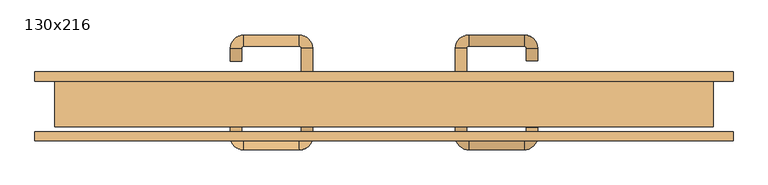
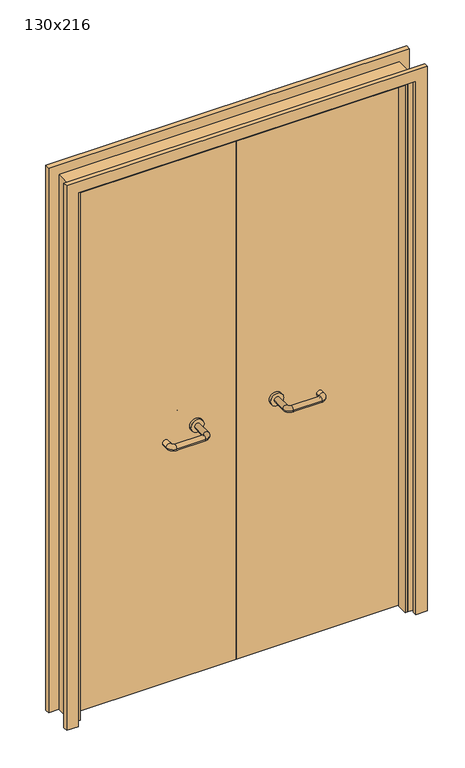
"""IFC4 building model written with IfcOpenShell, lengths in millimetres: door geometry, 130x216."""

from ifc_helpers import new_model, si_unit, point, frame, frame_2d, origin, place, context, project, spatial, polyline, circle_curve, ellipse_curve, trimmed, segment, composite_curve, outline, extrude, faceted_brep, source, transform, mapped, element, save
from ifc_brep_helpers import plane_surface, cylinder_surface, revolved_surface, advanced_brep


def door_130x216_2bfb5fd9(model_context):
    return source(origin(), model_context, "Body", "SolidModel", [
        faceted_brep([(-620.0, 3.0, 0.0), (-620.0, -40.0, 0.0), (-630.0, -40.0, 0.0), (-630.0, 3.0, 0.0), (-620.0, 3.0, 2130.0), (-620.0, -40.0, 2130.0), (-630.0, -40.0, 2140.0), (-630.0, 3.0, 2140.0), (620.0, 3.0, 0.0), (630.0, 3.0, 0.0), (630.0, -40.0, 0.0), (620.0, -40.0, 0.0), (620.0, 3.0, 2130.0), (630.0, 3.0, 2140.0), (630.0, -40.0, 2140.0), (620.0, -40.0, 2130.0)], [[[0, 1, 2, 3]], [[1, 0, 4, 5]], [[2, 1, 5, 6]], [[3, 2, 6, 7]], [[0, 3, 7, 4]], [[8, 9, 10, 11]], [[12, 13, 9, 8]], [[13, 14, 10, 9]], [[14, 15, 11, 10]], [[15, 12, 8, 11]], [[5, 4, 12, 15]], [[6, 5, 15, 14]], [[7, 6, 14, 13]], [[4, 7, 13, 12]]]),
        extrude(outline(polyline([(2199.0, 689.0), (2199.0, -689.0), (0.0, -689.0), (0.0, -645.0), (2155.0, -645.0), (2155.0, 645.0), (0.0, 645.0), (0.0, 689.0), (2199.0, 689.0)])), frame((0.0, 50.0, 0.0), z_axis=(0.0, 1.0, 0.0), x_axis=(0.0, 0.0, 1.0)), (0.0, 0.0, 1.0), 18.0),
        extrude(outline(polyline([(2199.0, -689.0), (0.0, -689.0), (0.0, -645.0), (2155.0, -645.0), (2155.0, 645.0), (0.0, 645.0), (0.0, 689.0), (2199.0, 689.0), (2199.0, -689.0)])), frame((0.0, -68.0, 0.0), z_axis=(0.0, 1.0, 0.0), x_axis=(0.0, 0.0, 1.0)), (0.0, 0.0, 1.0), 18.0),
        extrude(outline(polyline([(2160.0, -650.0), (0.0, -650.0), (0.0, -630.0), (2140.0, -630.0), (2140.0, 630.0), (0.0, 630.0), (0.0, 650.0), (2160.0, 650.0), (2160.0, -650.0)])), frame((0.0, -40.0, 0.0), z_axis=(0.0, 1.0, 0.0), x_axis=(0.0, 0.0, 1.0)), (0.0, 0.0, 1.0), 90.0),
        advanced_brep(
        [(140.99898, -4.0, 1003.0), (162.99898, -4.0, 1003.0), (140.99898, -59.3525369, 1003.0), (162.99898, -59.3525369, 1003.0), (166.99898, -63.3525369, 1003.0), (166.99898, -85.3525369, 1003.0), (276.99898, -85.3525369, 1003.0), (276.99898, -63.3525369, 1003.0), (280.99898, -59.3525369, 1003.0), (302.99898, -59.3525369, 1003.0), (302.99898, -42.0, 1003.0), (280.99898, -42.0, 1003.0)],
        [
            (0, 1, circle_curve(frame((151.99898, -4.0, 1003.0), z_axis=(0.0, 1.0, 0.0), x_axis=(1.0, 0.0, 0.0)), 11.0)),
            (1, 0, circle_curve(frame((151.99898, -4.0, 1003.0), z_axis=(0.0, 1.0, 0.0), x_axis=(1.0, 0.0, 0.0)), 11.0)),
            (0, 2),
            (2, 3, circle_curve(frame((151.99898, -59.3525369, 1003.0), z_axis=(0.0, 1.0, 0.0), x_axis=(1.0, 0.0, 0.0)), 11.0)),
            (3, 1),
            (3, 2, circle_curve(frame((151.99898, -59.3525369, 1003.0), z_axis=(0.0, 1.0, 0.0), x_axis=(1.0, 0.0, 0.0)), 11.0)),
            (4, 3, circle_curve(frame((166.99898, -59.3525369, 1003.0), z_axis=(0.0, 0.0, -1.0), x_axis=(-1.0, 0.0, 0.0)), 4.0)),
            (2, 5, circle_curve(frame((166.99898, -59.3525369, 1003.0), z_axis=(0.0, 0.0, 1.0), x_axis=(-1.0, 0.0, 0.0)), 26.0)),
            (5, 4, circle_curve(frame((166.99898, -74.3525369, 1003.0), z_axis=(-1.0, 0.0, 0.0), x_axis=(0.0, 1.0, 0.0)), 11.0)),
            (4, 5, circle_curve(frame((166.99898, -74.3525369, 1003.0), z_axis=(-1.0, 0.0, 0.0), x_axis=(0.0, 1.0, 0.0)), 11.0)),
            (5, 6),
            (6, 7, circle_curve(frame((276.99898, -74.3525369, 1003.0), z_axis=(-1.0, 0.0, 0.0), x_axis=(0.0, 1.0, 0.0)), 11.0)),
            (7, 4),
            (7, 6, circle_curve(frame((276.99898, -74.3525369, 1003.0), z_axis=(-1.0, 0.0, 0.0), x_axis=(0.0, 1.0, 0.0)), 11.0)),
            (8, 7, circle_curve(frame((276.99898, -59.3525369, 1003.0), z_axis=(0.0, 0.0, -1.0), x_axis=(0.0, -1.0, 0.0)), 4.0)),
            (6, 9, circle_curve(frame((276.99898, -59.3525369, 1003.0), z_axis=(0.0, 0.0, 1.0), x_axis=(0.0, -1.0, 0.0)), 26.0)),
            (9, 8, circle_curve(frame((291.99898, -59.3525369, 1003.0), z_axis=(0.0, -1.0, 0.0), x_axis=(-1.0, 0.0, 0.0)), 11.0)),
            (8, 9, circle_curve(frame((291.99898, -59.3525369, 1003.0), z_axis=(0.0, -1.0, 0.0), x_axis=(-1.0, 0.0, 0.0)), 11.0)),
            (10, 11, circle_curve(frame((291.99898, -42.0, 1003.0), z_axis=(0.0, 1.0, 0.0), x_axis=(-1.0, 0.0, 0.0)), 11.0)),
            (11, 10, circle_curve(frame((291.99898, -42.0, 1003.0), z_axis=(0.0, 1.0, 0.0), x_axis=(-1.0, 0.0, 0.0)), 11.0)),
            (9, 10),
            (11, 8),
        ],
        [
            plane_surface(frame((140.99898, -4.0, 1003.0), z_axis=(0.0, 1.0, 0.0), x_axis=(0.0, 0.0, -1.0))),
            cylinder_surface(frame((151.99898, -4.0, 1003.0), z_axis=(0.0, 1.0, 0.0), x_axis=(1.0, 0.0, 0.0)), 11.0),
            revolved_surface(trimmed(ellipse_curve(frame((151.99898, -59.3525369, 1003.0), z_axis=(0.0, 1.0, 0.0), x_axis=(1.0, 0.0, 0.0)), 11.0, 11.0), [point((140.99898, -59.3525369, 1003.0))], [point((162.99898, -59.3525369, 1003.0))], True, "CARTESIAN"), (166.99898, -59.3525369, 1003.0), (0.0, 0.0, 1.0)),
            revolved_surface(trimmed(ellipse_curve(frame((151.99898, -59.3525369, 1003.0), z_axis=(0.0, 1.0, 0.0), x_axis=(1.0, 0.0, 0.0)), 11.0, 11.0), [point((162.99898, -59.3525369, 1003.0))], [point((140.99898, -59.3525369, 1003.0))], True, "CARTESIAN"), (166.99898, -59.3525369, 1003.0), (0.0, 0.0, 1.0)),
            cylinder_surface(frame((166.99898, -74.3525369, 1003.0), z_axis=(-1.0, 0.0, 0.0), x_axis=(0.0, 1.0, 0.0)), 11.0),
            revolved_surface(trimmed(ellipse_curve(frame((276.99898, -74.3525369, 1003.0), z_axis=(-1.0, 0.0, 0.0), x_axis=(0.0, 1.0, 0.0)), 11.0, 11.0), [point((276.99898, -85.3525369, 1003.0))], [point((276.99898, -63.3525369, 1003.0))], True, "CARTESIAN"), (276.99898, -59.3525369, 1003.0), (0.0, 0.0, 1.0)),
            revolved_surface(trimmed(ellipse_curve(frame((276.99898, -74.3525369, 1003.0), z_axis=(-1.0, 0.0, 0.0), x_axis=(0.0, 1.0, 0.0)), 11.0, 11.0), [point((276.99898, -63.3525369, 1003.0))], [point((276.99898, -85.3525369, 1003.0))], True, "CARTESIAN"), (276.99898, -59.3525369, 1003.0), (0.0, 0.0, 1.0)),
            plane_surface(frame((280.99898, -42.0, 1003.0), z_axis=(0.0, 1.0, 0.0), x_axis=(0.0, 0.0, 1.0))),
            cylinder_surface(frame((291.99898, -59.3525369, 1003.0), z_axis=(0.0, -1.0, 0.0), x_axis=(-1.0, 0.0, 0.0)), 11.0),
        ],
        [
            (0, [[1, 2]]),
            (1, [[-1, 3, 4, 5]]),
            (1, [[-2, -5, 6, -3]]),
            (2, [[7, -4, 8, 9]]),
            (3, [[-8, -6, -7, 10]]),
            (4, [[-9, 11, 12, 13]]),
            (4, [[-10, -13, 14, -11]]),
            (5, [[15, -12, 16, 17]]),
            (6, [[-16, -14, -15, 18]]),
            (7, [[19, 20]]),
            (8, [[-17, 21, -20, 22]]),
            (8, [[-18, -22, -19, -21]]),
        ],
    ),
        extrude(outline(composite_curve([segment(trimmed(circle_curve(frame_2d((1003.0, 151.99898)), 25.0), [point((1003.0, 126.99898))], [point((1003.0, 176.99898))], False, "CARTESIAN"), True, "CONTINUOUS"), segment(trimmed(circle_curve(frame_2d((1003.0, 151.99898)), 25.0), [point((1003.0, 176.99898))], [point((1003.0, 126.99898))], False, "CARTESIAN"), True, "CONTINUOUS")], self_intersect=False)), frame((0.0, -4.0, 0.0), z_axis=(0.0, 1.0, 0.0), x_axis=(0.0, 0.0, 1.0)), (0.0, 0.0, 1.0), 10.0),
        advanced_brep(
        [(162.99898, 60.0, 1003.0), (140.99898, 60.0, 1003.0), (162.99898, 115.0, 1003.0), (140.99898, 115.0, 1003.0), (166.99898, 141.0, 1003.0), (166.99898, 119.0, 1003.0), (276.99898, 119.0, 1003.0), (276.99898, 141.0, 1003.0), (302.99898, 115.0, 1003.0), (280.99898, 115.0, 1003.0), (280.99898, 90.0, 1003.0), (302.99898, 90.0, 1003.0)],
        [
            (0, 1, circle_curve(frame((151.99898, 60.0, 1003.0), z_axis=(0.0, -1.0, 0.0), x_axis=(-1.0, 0.0, 0.0)), 11.0)),
            (1, 0, circle_curve(frame((151.99898, 60.0, 1003.0), z_axis=(0.0, -1.0, 0.0), x_axis=(-1.0, 0.0, 0.0)), 11.0)),
            (0, 2),
            (2, 3, circle_curve(frame((151.99898, 115.0, 1003.0), z_axis=(0.0, -1.0, 0.0), x_axis=(-1.0, 0.0, 0.0)), 11.0)),
            (3, 1),
            (3, 2, circle_curve(frame((151.99898, 115.0, 1003.0), z_axis=(0.0, -1.0, 0.0), x_axis=(-1.0, 0.0, 0.0)), 11.0)),
            (4, 3, circle_curve(frame((166.99898, 115.0, 1003.0), z_axis=(0.0, 0.0, 1.0), x_axis=(-1.0, 0.0, 0.0)), 26.0)),
            (2, 5, circle_curve(frame((166.99898, 115.0, 1003.0), z_axis=(0.0, 0.0, -1.0), x_axis=(-1.0, 0.0, 0.0)), 4.0)),
            (5, 4, circle_curve(frame((166.99898, 130.0, 1003.0), z_axis=(-1.0, 0.0, 0.0), x_axis=(0.0, 1.0, 0.0)), 11.0)),
            (4, 5, circle_curve(frame((166.99898, 130.0, 1003.0), z_axis=(-1.0, 0.0, 0.0), x_axis=(0.0, 1.0, 0.0)), 11.0)),
            (5, 6),
            (6, 7, circle_curve(frame((276.99898, 130.0, 1003.0), z_axis=(-1.0, 0.0, 0.0), x_axis=(0.0, 1.0, 0.0)), 11.0)),
            (7, 4),
            (7, 6, circle_curve(frame((276.99898, 130.0, 1003.0), z_axis=(-1.0, 0.0, 0.0), x_axis=(0.0, 1.0, 0.0)), 11.0)),
            (8, 7, circle_curve(frame((276.99898, 115.0, 1003.0), z_axis=(0.0, 0.0, 1.0), x_axis=(0.0, 1.0, 0.0)), 26.0)),
            (6, 9, circle_curve(frame((276.99898, 115.0, 1003.0), z_axis=(0.0, 0.0, -1.0), x_axis=(0.0, 1.0, 0.0)), 4.0)),
            (9, 8, circle_curve(frame((291.99898, 115.0, 1003.0), z_axis=(0.0, 1.0, 0.0), x_axis=(1.0, 0.0, 0.0)), 11.0)),
            (8, 9, circle_curve(frame((291.99898, 115.0, 1003.0), z_axis=(0.0, 1.0, 0.0), x_axis=(1.0, 0.0, 0.0)), 11.0)),
            (10, 11, circle_curve(frame((291.99898, 90.0, 1003.0), z_axis=(0.0, -1.0, 0.0), x_axis=(1.0, 0.0, 0.0)), 11.0)),
            (11, 10, circle_curve(frame((291.99898, 90.0, 1003.0), z_axis=(0.0, -1.0, 0.0), x_axis=(1.0, 0.0, 0.0)), 11.0)),
            (9, 10),
            (11, 8),
        ],
        [
            plane_surface(frame((140.99898, 60.0, 1003.0), z_axis=(0.0, -1.0, 0.0), x_axis=(0.0, 0.0, 1.0))),
            cylinder_surface(frame((151.99898, 60.0, 1003.0), z_axis=(0.0, -1.0, 0.0), x_axis=(-1.0, 0.0, 0.0)), 11.0),
            revolved_surface(trimmed(ellipse_curve(frame((151.99898, 115.0, 1003.0), z_axis=(0.0, -1.0, 0.0), x_axis=(-1.0, 0.0, 0.0)), 11.0, 11.0), [point((162.99898, 115.0, 1003.0))], [point((140.99898, 115.0, 1003.0))], True, "CARTESIAN"), (166.99898, 115.0, 1003.0), (0.0, 0.0, -1.0)),
            revolved_surface(trimmed(ellipse_curve(frame((151.99898, 115.0, 1003.0), z_axis=(0.0, -1.0, 0.0), x_axis=(-1.0, 0.0, 0.0)), 11.0, 11.0), [point((140.99898, 115.0, 1003.0))], [point((162.99898, 115.0, 1003.0))], True, "CARTESIAN"), (166.99898, 115.0, 1003.0), (0.0, 0.0, -1.0)),
            cylinder_surface(frame((166.99898, 130.0, 1003.0), z_axis=(-1.0, 0.0, 0.0), x_axis=(0.0, 1.0, 0.0)), 11.0),
            revolved_surface(trimmed(ellipse_curve(frame((276.99898, 130.0, 1003.0), z_axis=(-1.0, 0.0, 0.0), x_axis=(0.0, 1.0, 0.0)), 11.0, 11.0), [point((276.99898, 119.0, 1003.0))], [point((276.99898, 141.0, 1003.0))], True, "CARTESIAN"), (276.99898, 115.0, 1003.0), (0.0, 0.0, -1.0)),
            revolved_surface(trimmed(ellipse_curve(frame((276.99898, 130.0, 1003.0), z_axis=(-1.0, 0.0, 0.0), x_axis=(0.0, 1.0, 0.0)), 11.0, 11.0), [point((276.99898, 141.0, 1003.0))], [point((276.99898, 119.0, 1003.0))], True, "CARTESIAN"), (276.99898, 115.0, 1003.0), (0.0, 0.0, -1.0)),
            plane_surface(frame((280.99898, 90.0, 1003.0), z_axis=(0.0, -1.0, 0.0), x_axis=(0.0, 0.0, -1.0))),
            cylinder_surface(frame((291.99898, 115.0, 1003.0), z_axis=(0.0, 1.0, 0.0), x_axis=(1.0, 0.0, 0.0)), 11.0),
        ],
        [
            (0, [[1, 2]]),
            (1, [[-1, 3, 4, 5]]),
            (1, [[-2, -5, 6, -3]]),
            (2, [[7, -4, 8, 9]]),
            (3, [[-8, -6, -7, 10]]),
            (4, [[-9, 11, 12, 13]]),
            (4, [[-10, -13, 14, -11]]),
            (5, [[15, -12, 16, 17]]),
            (6, [[-16, -14, -15, 18]]),
            (7, [[19, 20]]),
            (8, [[-17, 21, -20, 22]]),
            (8, [[-18, -22, -19, -21]]),
        ],
    ),
        extrude(outline(composite_curve([segment(trimmed(circle_curve(frame_2d((1003.0, 151.99898)), 25.0), [point((1003.0, 176.99898))], [point((1003.0, 126.99898))], False, "CARTESIAN"), True, "CONTINUOUS"), segment(trimmed(circle_curve(frame_2d((1003.0, 151.99898)), 25.0), [point((1003.0, 126.99898))], [point((1003.0, 176.99898))], False, "CARTESIAN"), True, "CONTINUOUS")], self_intersect=False)), frame((0.0, 50.0, 0.0), z_axis=(0.0, 1.0, 0.0), x_axis=(0.0, 0.0, 1.0)), (0.0, 0.0, 1.0), 10.0),
        advanced_brep(
        [(-162.99898, -4.3113879, 1003.0), (-140.99898, -4.3113879, 1003.0), (-162.99898, -59.7220447, 1003.0), (-140.99898, -59.7220447, 1003.0), (-166.99898, -85.7220447, 1003.0), (-166.99898, -63.7220447, 1003.0), (-276.99898, -63.7220447, 1003.0), (-276.99898, -85.7220447, 1003.0), (-302.99898, -59.7220447, 1003.0), (-280.99898, -59.7220447, 1003.0), (-280.99898, -34.7220447, 1003.0), (-302.99898, -34.7220447, 1003.0)],
        [
            (0, 1, circle_curve(frame((-151.99898, -4.3113879, 1003.0), z_axis=(0.0, 1.0, 0.0), x_axis=(1.0, 0.0, 0.0)), 11.0)),
            (1, 0, circle_curve(frame((-151.99898, -4.3113879, 1003.0), z_axis=(0.0, 1.0, 0.0), x_axis=(1.0, 0.0, 0.0)), 11.0)),
            (0, 2),
            (2, 3, circle_curve(frame((-151.99898, -59.7220447, 1003.0), z_axis=(0.0, 1.0, 0.0), x_axis=(1.0, 0.0, 0.0)), 11.0)),
            (3, 1),
            (3, 2, circle_curve(frame((-151.99898, -59.7220447, 1003.0), z_axis=(0.0, 1.0, 0.0), x_axis=(1.0, 0.0, 0.0)), 11.0)),
            (4, 3, circle_curve(frame((-166.99898, -59.7220447, 1003.0), z_axis=(0.0, 0.0, 1.0), x_axis=(1.0, 0.0, 0.0)), 26.0)),
            (2, 5, circle_curve(frame((-166.99898, -59.7220447, 1003.0), z_axis=(0.0, 0.0, -1.0), x_axis=(1.0, 0.0, 0.0)), 4.0)),
            (5, 4, circle_curve(frame((-166.99898, -74.7220447, 1003.0), z_axis=(1.0, 0.0, 0.0), x_axis=(0.0, -1.0, 0.0)), 11.0)),
            (4, 5, circle_curve(frame((-166.99898, -74.7220447, 1003.0), z_axis=(1.0, 0.0, 0.0), x_axis=(0.0, -1.0, 0.0)), 11.0)),
            (5, 6),
            (6, 7, circle_curve(frame((-276.99898, -74.7220447, 1003.0), z_axis=(1.0, 0.0, 0.0), x_axis=(0.0, -1.0, 0.0)), 11.0)),
            (7, 4),
            (7, 6, circle_curve(frame((-276.99898, -74.7220447, 1003.0), z_axis=(1.0, 0.0, 0.0), x_axis=(0.0, -1.0, 0.0)), 11.0)),
            (8, 7, circle_curve(frame((-276.99898, -59.7220447, 1003.0), z_axis=(0.0, 0.0, 1.0), x_axis=(0.0, -1.0, 0.0)), 26.0)),
            (6, 9, circle_curve(frame((-276.99898, -59.7220447, 1003.0), z_axis=(0.0, 0.0, -1.0), x_axis=(0.0, -1.0, 0.0)), 4.0)),
            (9, 8, circle_curve(frame((-291.99898, -59.7220447, 1003.0), z_axis=(0.0, -1.0, 0.0), x_axis=(-1.0, 0.0, 0.0)), 11.0)),
            (8, 9, circle_curve(frame((-291.99898, -59.7220447, 1003.0), z_axis=(0.0, -1.0, 0.0), x_axis=(-1.0, 0.0, 0.0)), 11.0)),
            (10, 11, circle_curve(frame((-291.99898, -34.7220447, 1003.0), z_axis=(0.0, 1.0, 0.0), x_axis=(-1.0, 0.0, 0.0)), 11.0)),
            (11, 10, circle_curve(frame((-291.99898, -34.7220447, 1003.0), z_axis=(0.0, 1.0, 0.0), x_axis=(-1.0, 0.0, 0.0)), 11.0)),
            (9, 10),
            (11, 8),
        ],
        [
            plane_surface(frame((-162.99898, -4.3113879, 1003.0), z_axis=(0.0, 1.0, 0.0), x_axis=(0.0, 0.0, -1.0))),
            cylinder_surface(frame((-151.99898, -4.3113879, 1003.0), z_axis=(0.0, 1.0, 0.0), x_axis=(1.0, 0.0, 0.0)), 11.0),
            revolved_surface(trimmed(ellipse_curve(frame((-151.99898, -59.7220447, 1003.0), z_axis=(0.0, 1.0, 0.0), x_axis=(1.0, 0.0, 0.0)), 11.0, 11.0), [point((-162.99898, -59.7220447, 1003.0))], [point((-140.99898, -59.7220447, 1003.0))], True, "CARTESIAN"), (-166.99898, -59.7220447, 1003.0), (0.0, 0.0, -1.0)),
            revolved_surface(trimmed(ellipse_curve(frame((-151.99898, -59.7220447, 1003.0), z_axis=(0.0, 1.0, 0.0), x_axis=(1.0, 0.0, 0.0)), 11.0, 11.0), [point((-140.99898, -59.7220447, 1003.0))], [point((-162.99898, -59.7220447, 1003.0))], True, "CARTESIAN"), (-166.99898, -59.7220447, 1003.0), (0.0, 0.0, -1.0)),
            cylinder_surface(frame((-166.99898, -74.7220447, 1003.0), z_axis=(1.0, 0.0, 0.0), x_axis=(0.0, -1.0, 0.0)), 11.0),
            revolved_surface(trimmed(ellipse_curve(frame((-276.99898, -74.7220447, 1003.0), z_axis=(1.0, 0.0, 0.0), x_axis=(0.0, -1.0, 0.0)), 11.0, 11.0), [point((-276.99898, -63.7220447, 1003.0))], [point((-276.99898, -85.7220447, 1003.0))], True, "CARTESIAN"), (-276.99898, -59.7220447, 1003.0), (0.0, 0.0, -1.0)),
            revolved_surface(trimmed(ellipse_curve(frame((-276.99898, -74.7220447, 1003.0), z_axis=(1.0, 0.0, 0.0), x_axis=(0.0, -1.0, 0.0)), 11.0, 11.0), [point((-276.99898, -85.7220447, 1003.0))], [point((-276.99898, -63.7220447, 1003.0))], True, "CARTESIAN"), (-276.99898, -59.7220447, 1003.0), (0.0, 0.0, -1.0)),
            plane_surface(frame((-302.99898, -34.7220447, 1003.0), z_axis=(0.0, 1.0, 0.0), x_axis=(0.0, 0.0, 1.0))),
            cylinder_surface(frame((-291.99898, -59.7220447, 1003.0), z_axis=(0.0, -1.0, 0.0), x_axis=(-1.0, 0.0, 0.0)), 11.0),
        ],
        [
            (0, [[1, 2]]),
            (1, [[-1, 3, 4, 5]]),
            (1, [[-2, -5, 6, -3]]),
            (2, [[7, -4, 8, 9]]),
            (3, [[-8, -6, -7, 10]]),
            (4, [[-9, 11, 12, 13]]),
            (4, [[-10, -13, 14, -11]]),
            (5, [[15, -12, 16, 17]]),
            (6, [[-16, -14, -15, 18]]),
            (7, [[19, 20]]),
            (8, [[-17, 21, -20, 22]]),
            (8, [[-18, -22, -19, -21]]),
        ],
    ),
        extrude(outline(composite_curve([segment(trimmed(circle_curve(frame_2d((1003.0, -151.99898)), 25.0), [point((1003.0, -176.99898))], [point((1003.0, -126.99898))], False, "CARTESIAN"), True, "CONTINUOUS"), segment(trimmed(circle_curve(frame_2d((1003.0, -151.99898)), 25.0), [point((1003.0, -126.99898))], [point((1003.0, -176.99898))], False, "CARTESIAN"), True, "CONTINUOUS")], self_intersect=False)), frame((0.0, -4.3113879, 0.0), z_axis=(0.0, 1.0, 0.0), x_axis=(0.0, 0.0, 1.0)), (0.0, 0.0, 1.0), 10.3113879),
        advanced_brep(
        [(-140.99898, 59.5143417, 1003.0), (-162.99898, 59.5143417, 1003.0), (-140.99898, 114.6104656, 1003.0), (-162.99898, 114.6104656, 1003.0), (-166.99898, 118.6104656, 1003.0), (-166.99898, 140.6104656, 1003.0), (-276.99898, 140.6104656, 1003.0), (-276.99898, 118.6104656, 1003.0), (-280.99898, 114.6104656, 1003.0), (-302.99898, 114.6104656, 1003.0), (-302.99898, 89.6104656, 1003.0), (-280.99898, 89.6104656, 1003.0)],
        [
            (0, 1, circle_curve(frame((-151.99898, 59.5143417, 1003.0), z_axis=(0.0, -1.0, 0.0), x_axis=(-1.0, 0.0, 0.0)), 11.0)),
            (1, 0, circle_curve(frame((-151.99898, 59.5143417, 1003.0), z_axis=(0.0, -1.0, 0.0), x_axis=(-1.0, 0.0, 0.0)), 11.0)),
            (0, 2),
            (2, 3, circle_curve(frame((-151.99898, 114.6104656, 1003.0), z_axis=(0.0, -1.0, 0.0), x_axis=(-1.0, 0.0, 0.0)), 11.0)),
            (3, 1),
            (3, 2, circle_curve(frame((-151.99898, 114.6104656, 1003.0), z_axis=(0.0, -1.0, 0.0), x_axis=(-1.0, 0.0, 0.0)), 11.0)),
            (4, 3, circle_curve(frame((-166.99898, 114.6104656, 1003.0), z_axis=(0.0, 0.0, -1.0), x_axis=(1.0, 0.0, 0.0)), 4.0)),
            (2, 5, circle_curve(frame((-166.99898, 114.6104656, 1003.0), z_axis=(0.0, 0.0, 1.0), x_axis=(1.0, 0.0, 0.0)), 26.0)),
            (5, 4, circle_curve(frame((-166.99898, 129.6104656, 1003.0), z_axis=(1.0, 0.0, 0.0), x_axis=(0.0, -1.0, 0.0)), 11.0)),
            (4, 5, circle_curve(frame((-166.99898, 129.6104656, 1003.0), z_axis=(1.0, 0.0, 0.0), x_axis=(0.0, -1.0, 0.0)), 11.0)),
            (5, 6),
            (6, 7, circle_curve(frame((-276.99898, 129.6104656, 1003.0), z_axis=(1.0, 0.0, 0.0), x_axis=(0.0, -1.0, 0.0)), 11.0)),
            (7, 4),
            (7, 6, circle_curve(frame((-276.99898, 129.6104656, 1003.0), z_axis=(1.0, 0.0, 0.0), x_axis=(0.0, -1.0, 0.0)), 11.0)),
            (8, 7, circle_curve(frame((-276.99898, 114.6104656, 1003.0), z_axis=(0.0, 0.0, -1.0), x_axis=(0.0, 1.0, 0.0)), 4.0)),
            (6, 9, circle_curve(frame((-276.99898, 114.6104656, 1003.0), z_axis=(0.0, 0.0, 1.0), x_axis=(0.0, 1.0, 0.0)), 26.0)),
            (9, 8, circle_curve(frame((-291.99898, 114.6104656, 1003.0), z_axis=(0.0, 1.0, 0.0), x_axis=(1.0, 0.0, 0.0)), 11.0)),
            (8, 9, circle_curve(frame((-291.99898, 114.6104656, 1003.0), z_axis=(0.0, 1.0, 0.0), x_axis=(1.0, 0.0, 0.0)), 11.0)),
            (10, 11, circle_curve(frame((-291.99898, 89.6104656, 1003.0), z_axis=(0.0, -1.0, 0.0), x_axis=(1.0, 0.0, 0.0)), 11.0)),
            (11, 10, circle_curve(frame((-291.99898, 89.6104656, 1003.0), z_axis=(0.0, -1.0, 0.0), x_axis=(1.0, 0.0, 0.0)), 11.0)),
            (9, 10),
            (11, 8),
        ],
        [
            plane_surface(frame((-162.99898, 59.5143417, 1003.0), z_axis=(0.0, -1.0, 0.0), x_axis=(0.0, 0.0, 1.0))),
            cylinder_surface(frame((-151.99898, 59.5143417, 1003.0), z_axis=(0.0, -1.0, 0.0), x_axis=(-1.0, 0.0, 0.0)), 11.0),
            revolved_surface(trimmed(ellipse_curve(frame((-151.99898, 114.6104656, 1003.0), z_axis=(0.0, -1.0, 0.0), x_axis=(-1.0, 0.0, 0.0)), 11.0, 11.0), [point((-140.99898, 114.6104656, 1003.0))], [point((-162.99898, 114.6104656, 1003.0))], True, "CARTESIAN"), (-166.99898, 114.6104656, 1003.0), (0.0, 0.0, 1.0)),
            revolved_surface(trimmed(ellipse_curve(frame((-151.99898, 114.6104656, 1003.0), z_axis=(0.0, -1.0, 0.0), x_axis=(-1.0, 0.0, 0.0)), 11.0, 11.0), [point((-162.99898, 114.6104656, 1003.0))], [point((-140.99898, 114.6104656, 1003.0))], True, "CARTESIAN"), (-166.99898, 114.6104656, 1003.0), (0.0, 0.0, 1.0)),
            cylinder_surface(frame((-166.99898, 129.6104656, 1003.0), z_axis=(1.0, 0.0, 0.0), x_axis=(0.0, -1.0, 0.0)), 11.0),
            revolved_surface(trimmed(ellipse_curve(frame((-276.99898, 129.6104656, 1003.0), z_axis=(1.0, 0.0, 0.0), x_axis=(0.0, -1.0, 0.0)), 11.0, 11.0), [point((-276.99898, 140.6104656, 1003.0))], [point((-276.99898, 118.6104656, 1003.0))], True, "CARTESIAN"), (-276.99898, 114.6104656, 1003.0), (0.0, 0.0, 1.0)),
            revolved_surface(trimmed(ellipse_curve(frame((-276.99898, 129.6104656, 1003.0), z_axis=(1.0, 0.0, 0.0), x_axis=(0.0, -1.0, 0.0)), 11.0, 11.0), [point((-276.99898, 118.6104656, 1003.0))], [point((-276.99898, 140.6104656, 1003.0))], True, "CARTESIAN"), (-276.99898, 114.6104656, 1003.0), (0.0, 0.0, 1.0)),
            plane_surface(frame((-302.99898, 89.6104656, 1003.0), z_axis=(0.0, -1.0, 0.0), x_axis=(0.0, 0.0, -1.0))),
            cylinder_surface(frame((-291.99898, 114.6104656, 1003.0), z_axis=(0.0, 1.0, 0.0), x_axis=(1.0, 0.0, 0.0)), 11.0),
        ],
        [
            (0, [[1, 2]]),
            (1, [[-1, 3, 4, 5]]),
            (1, [[-2, -5, 6, -3]]),
            (2, [[7, -4, 8, 9]]),
            (3, [[-8, -6, -7, 10]]),
            (4, [[-9, 11, 12, 13]]),
            (4, [[-10, -13, 14, -11]]),
            (5, [[15, -12, 16, 17]]),
            (6, [[-16, -14, -15, 18]]),
            (7, [[19, 20]]),
            (8, [[-17, 21, -20, 22]]),
            (8, [[-18, -22, -19, -21]]),
        ],
    ),
        extrude(outline(composite_curve([segment(trimmed(circle_curve(frame_2d((1003.0, -151.99898)), 25.0), [point((1003.0, -126.99898))], [point((1003.0, -176.99898))], False, "CARTESIAN"), True, "CONTINUOUS"), segment(trimmed(circle_curve(frame_2d((1003.0, -151.99898)), 25.0), [point((1003.0, -176.99898))], [point((1003.0, -126.99898))], False, "CARTESIAN"), True, "CONTINUOUS")], self_intersect=False)), frame((0.0, 50.0, 0.0), z_axis=(0.0, 1.0, 0.0), x_axis=(0.0, 0.0, 1.0)), (0.0, 0.0, 1.0), 9.5143417),
        extrude(outline(polyline([(1.0739506, 6.0), (-627.0, 6.0), (-627.0, 50.0), (1.0739506, 50.0), (1.0739506, 6.0)])), frame((0.0, 0.0, 1.753223), z_axis=(0.0, 0.0, 1.0), x_axis=(1.0, 0.0, 0.0)), (0.0, 0.0, 1.0), 2138.246777),
        extrude(outline(polyline([(627.0, 6.0), (1.0739506, 6.0), (1.0739506, 50.0), (627.0, 50.0), (627.0, 6.0)])), frame((0.0, 0.0, 1.753223), z_axis=(0.0, 0.0, 1.0), x_axis=(1.0, 0.0, 0.0)), (0.0, 0.0, 1.0), 2138.246777),
    ])


if __name__ == "__main__":
    model = new_model("IFC4")
    model_context = context("Model", 3, world=origin())
    ifc_project = project(units=[si_unit("LENGTHUNIT", "METRE", prefix="MILLI")], contexts=[model_context])
    site = spatial("IfcSite", under=ifc_project)
    building = spatial("IfcBuilding", under=site)
    placement = place(None, origin())
    door_130x216_shape = door_130x216_2bfb5fd9(model_context)
    element("IfcDoor", 1, ObjectType="130x216", at=placement, inside=building, context=model_context, shape_type="MappedRepresentation", body=[
        mapped(door_130x216_shape, transform((0.0, 0.0, 0.0), x_axis=(1.0, 0.0, 0.0), y_axis=(0.0, 1.0, 0.0), z_axis=(0.0, 0.0, 1.0))),
    ])
    save(model, "model.ifc")
